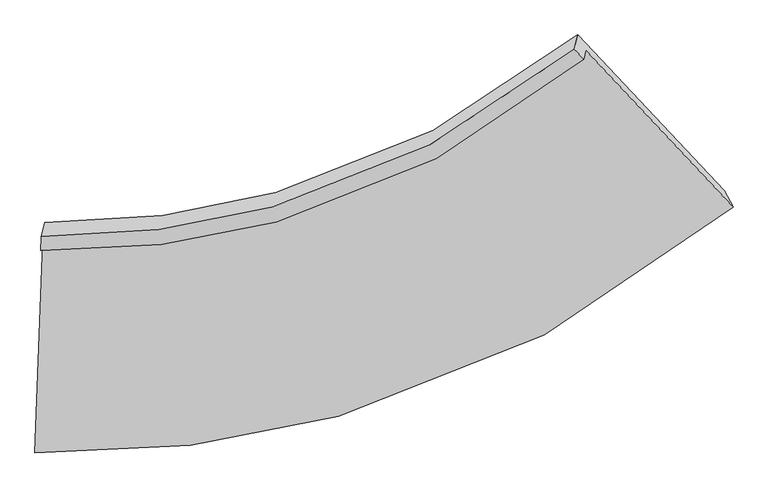
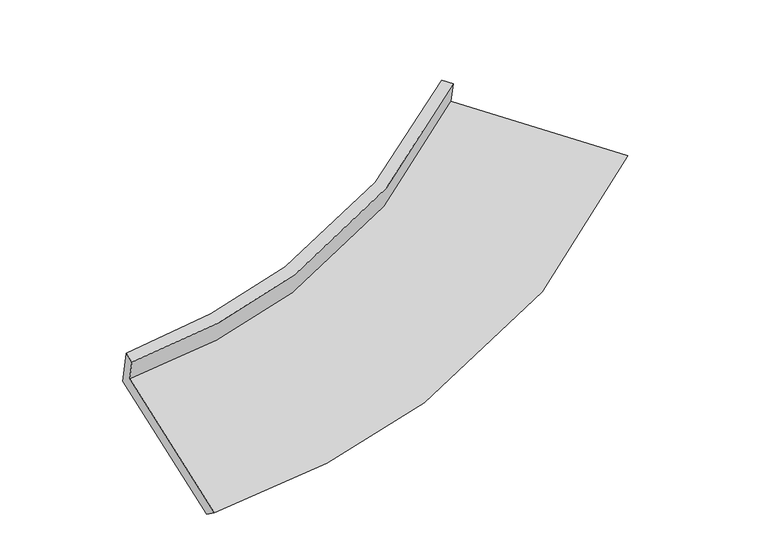
"""IFC4 building model written with IfcOpenShell, lengths in millimetres: proxy geometry."""

from ifc_helpers import new_model, si_unit, frame, origin, place, context, project, spatial, source, transform, mapped, element, save
from ifc_brep_helpers import plane_surface, spline_curve, spline_surface, advanced_brep


def generic_models_f8a3e268(model_context):
    return source(origin(), model_context, "Body", "AdvancedBrep", [
        advanced_brep(
        [(-1675.9932508, -1746.2754935, 1810.2474541), (-1723.0581357, -3005.1459312, 1450.5863899), (2448.4885595, -1534.8542861, 2134.066809), (1568.6167282, -597.5585181, 2338.4813127), (-1688.1762202, -1796.0712721, 1986.134782), (1555.6842231, -650.4178941, 2525.1897986), (-1685.0206218, -1711.6667424, 2010.2492755), (1500.3802447, -591.5045581, 2538.0381873), (-1664.5720162, -1628.0866066, 1715.0297371), (1521.3733592, -505.6988364, 2234.9574932), (-1711.3636422, -2879.6480372, 1357.4568666), (2396.5968705, -1438.0429165, 2031.6229013)],
        [
            (0, 1),
            (1, 2, spline_curve(3, [(-1723.0581357, -3005.1459312, 1450.5863899), (-1088.63443532, -3017.282335568, 1484.511457137), (-484.19238724, -2945.049792062, 1541.722382238), (942.295791581, -2556.180205339, 1741.61032911), (1728.36930859, -2138.315534085, 1912.226210616), (2448.4885595, -1534.8542861, 2134.066809)], [4, 2, 4], [0.0, 5.373550979361134, 13.343490706285586])),
            (2, 3),
            (3, 0, spline_curve(3, [(1568.6167282, -597.5585181, 2338.4813127), (1007.346565958, -1063.382940853, 2166.610126761), (395.473138183, -1387.578730219, 2034.579113208), (-713.66343016, -1693.237647505, 1880.23068896), (-1183.326662132, -1751.947516756, 1836.183749789), (-1675.9932508, -1746.2754935, 1810.2474541)], [4, 2, 4], [0.0, 7.969939726924451, 13.343490706285586])),
            (4, 0),
            (3, 5),
            (5, 4, spline_curve(3, [(1555.6842231, -650.4178941, 2525.1897986), (993.952392656, -1118.129305694, 2359.983784841), (381.982180431, -1442.720684806, 2229.35006217), (-726.705528656, -1746.544967594, 2068.52139069), (-1196.022130991, -1803.838048034, 2019.470107831), (-1688.1762202, -1796.0712721, 1986.134782)], [4, 2, 4], [0.0, 6.964118873069957, 11.659517969295413])),
            (6, 4),
            (5, 7),
            (7, 6, spline_curve(3, [(1500.3802447, -591.5045581, 2538.0381873), (945.713838481, -1042.36865245, 2378.091239767), (343.540873119, -1357.144078094, 2250.915143153), (-744.170326695, -1656.306325799, 2092.859302687), (-1203.797649923, -1714.918294892, 2044.1057621), (-1685.0206218, -1711.6667424, 2010.2492755)], [4, 2, 4], [0.0, 6.895233433222222, 11.544188085017687])),
            (8, 6),
            (7, 9),
            (9, 8, spline_curve(3, [(1521.3733592, -505.6988364, 2234.9574932), (966.99873282, -955.370331481, 2070.798078146), (364.878517703, -1269.930149729, 1942.860418453), (-723.144555975, -1570.36712776, 1789.307147126), (-1183.006132483, -1629.936566288, 1743.935554803), (-1664.5720162, -1628.0866066, 1715.0297371)], [4, 2, 4], [0.0, 6.826348708799171, 11.428859398523501])),
            (10, 8),
            (9, 11),
            (11, 10, spline_curve(3, [(2396.5968705, -1438.0429165, 2031.6229013), (1686.277547164, -2031.885704374, 1815.845263622), (911.712136356, -2442.465567874, 1648.778648351), (-492.648977714, -2823.045794476, 1450.624482821), (-1087.403737782, -2893.000971127, 1392.969086674), (-1711.3636422, -2879.6480372, 1357.4568666)], [4, 2, 4], [0.0, 7.830312545769055, 13.109723067140484])),
            (1, 10),
            (11, 2),
        ],
        [
            spline_surface(3, 3, [[(-1675.9932508, -1746.2754935, 1810.2474541), (-1183.32666208, -1751.947516682, 1836.18374987), (-713.663430141, -1693.237647552, 1880.230689015), (395.473138155, -1387.578730151, 2034.579113127), (1007.3465659, -1063.38294084, 2166.610126794), (1568.6167282, -597.5585181, 2338.4813127)], [(-1691.681545768, -2165.898972732, 1690.360432718), (-1151.762586472, -2173.725789639, 1718.959652301), (-637.173082499, -2110.508362349, 1767.39458673), (577.747355952, -1777.11255524, 1936.922851834), (1247.687480134, -1421.693805233, 2081.81548804), (1861.907338642, -909.990440765, 2270.343144789)], [(-1707.369840732, -2585.522451968, 1570.473411282), (-1120.198510861, -2595.504062601, 1601.735554679), (-560.682734858, -2527.779077185, 1654.558484436), (760.021573749, -2166.646380367, 1839.26659053), (1488.02839434, -1780.004669631, 1997.020849319), (2155.197949058, -1222.422363435, 2202.204976911)], [(-1723.0581357, -3005.1459312, 1450.5863899), (-1088.634435253, -3017.282335557, 1484.511457111), (-484.192387216, -2945.049791982, 1541.722382152), (942.295791546, -2556.180205457, 1741.610329236), (1728.369308574, -2138.315534024, 1912.226210565), (2448.4885595, -1534.8542861, 2134.066809)]], [4, 4], [4, 2, 4], [0.0, 4.293084423462226], [0.0, 5.373550979361134, 13.343490706285586]),
            spline_surface(3, 3, [[(-1688.1762202, -1796.0712721, 1986.134782), (-1196.022130914, -1803.838048005, 2019.470107769), (-726.705528637, -1746.544967638, 2068.521390707), (381.982180403, -1442.72068474, 2229.350062146), (993.952392592, -1118.129305727, 2359.983784784), (1555.6842231, -650.4178941, 2525.1897986)], [(-1684.115230396, -1779.472679261, 1927.505672675), (-1191.790307966, -1786.541204258, 1958.374655111), (-722.358162466, -1728.775860969, 2005.757823481), (386.479166326, -1424.340033237, 2164.426412478), (998.417117038, -1099.880517423, 2295.525898811), (1559.995058144, -632.798102092, 2462.953636657)], [(-1680.054240604, -1762.874086339, 1868.876563425), (-1187.558485028, -1769.244360428, 1897.279202528), (-718.010796312, -1711.00675422, 1942.994256241), (390.976152232, -1405.959381654, 2099.502762795), (1002.881841454, -1081.631729144, 2231.068012767), (1564.305893156, -615.178310108, 2400.717474643)], [(-1675.9932508, -1746.2754935, 1810.2474541), (-1183.32666208, -1751.947516682, 1836.18374987), (-713.663430141, -1693.237647552, 1880.230689015), (395.473138155, -1387.578730151, 2034.579113127), (1007.3465659, -1063.38294084, 2166.610126794), (1568.6167282, -597.5585181, 2338.4813127)]], [4, 4], [4, 2, 4], [0.0, 0.6574046886013978], [0.0, 4.695399096225456, 11.659517969295413]),
            spline_surface(3, 3, [[(-1685.0206218, -1711.6667424, 2010.2492755), (-1203.797649915, -1714.918294853, 2044.105762169), (-744.170326631, -1656.306325782, 2092.859302723), (343.540873024, -1357.14407812, 2250.9151431), (945.713838568, -1042.368652446, 2378.091239839), (1500.3802447, -591.5045581, 2538.0381873)], [(-1686.072487916, -1739.801585624, 2002.211111007), (-1201.205810231, -1744.558212561, 2035.893877376), (-738.348727313, -1686.385873056, 2084.746665366), (356.354642138, -1385.669613649, 2243.726782764), (961.793356574, -1067.622203565, 2372.055421486), (1518.814904165, -611.142336792, 2533.755391066)], [(-1687.124354084, -1767.936428876, 1994.172946493), (-1198.613970598, -1774.198130296, 2027.681992562), (-732.527127956, -1716.465420364, 2076.634028064), (369.16841129, -1414.195149212, 2236.538422482), (977.872874585, -1092.875754608, 2366.019603137), (1537.249563635, -630.780115408, 2529.472594834)], [(-1688.1762202, -1796.0712721, 1986.134782), (-1196.022130914, -1803.838048005, 2019.470107769), (-726.705528637, -1746.544967638, 2068.521390707), (381.982180403, -1442.72068474, 2229.350062146), (993.952392592, -1118.129305727, 2359.983784784), (1555.6842231, -650.4178941, 2525.1897986)]], [4, 4], [4, 2, 4], [0.0, 0.3109059347050244], [0.0, 4.648954651795465, 11.544188085017687]),
            spline_surface(3, 3, [[(-1664.5720162, -1628.0866066, 1715.0297371), (-1183.00613247, -1629.936566248, 1743.935554842), (-723.144555914, -1570.367127798, 1789.307147159), (364.878517613, -1269.930149672, 1942.860418403), (966.998732837, -955.37033145, 2070.798078138), (1521.3733592, -505.6988364, 2234.9574932)], [(-1671.388218078, -1655.946651848, 1813.436249899), (-1189.936638297, -1658.263809097, 1843.992290617), (-730.153146145, -1599.013527135, 1890.491199011), (357.765969425, -1299.001459163, 2045.545326633), (959.903768062, -984.369771783, 2173.229132034), (1514.375654348, -534.300743634, 2335.984391229)], [(-1678.204419922, -1683.806697152, 1911.842762701), (-1196.867144089, -1686.591052003, 1944.049026394), (-737.1617364, -1627.659926445, 1991.675250871), (350.653421212, -1328.072768629, 2148.230234871), (952.808803343, -1013.369212113, 2275.660185944), (1507.377949552, -562.902650866, 2437.011289271)], [(-1685.0206218, -1711.6667424, 2010.2492755), (-1203.797649915, -1714.918294853, 2044.105762169), (-744.170326631, -1656.306325782, 2092.859302723), (343.540873024, -1357.14407812, 2250.9151431), (945.713838568, -1042.368652446, 2378.091239839), (1500.3802447, -591.5045581, 2538.0381873)]], [4, 4], [4, 2, 4], [0.0, 1.047093780081731], [0.0, 4.602510689724331, 11.428859398523501]),
            spline_surface(3, 3, [[(-1711.3636422, -2879.6480372, 1357.4568666), (-1087.403737772, -2893.00097112, 1392.969086592), (-492.648977707, -2823.045794477, 1450.624482819), (911.712136345, -2442.465567873, 1648.778648354), (1686.277547171, -2031.885704328, 1815.845263703), (2396.5968705, -1438.0429165, 2031.6229013)], [(-1695.76643354, -2462.460893672, 1476.647823426), (-1119.271202678, -2471.979502835, 1509.957909335), (-569.480837094, -2405.486238909, 1563.518704264), (729.43426345, -2051.620428464, 1746.805905035), (1446.517942393, -1673.047246699, 1900.82953517), (2104.855700066, -1127.261556463, 2099.401098589)], [(-1680.16922486, -2045.273750128, 1595.838780274), (-1151.138667565, -2050.958034533, 1626.946732099), (-646.312696527, -1987.926683366, 1676.412925714), (547.156390509, -1660.775289081, 1844.833161722), (1206.758337615, -1314.208789079, 1985.813806671), (1813.114529634, -816.480196437, 2167.179295911)], [(-1664.5720162, -1628.0866066, 1715.0297371), (-1183.00613247, -1629.936566248, 1743.935554842), (-723.144555914, -1570.367127798, 1789.307147159), (364.878517613, -1269.930149672, 1942.860418403), (966.998732837, -955.37033145, 2070.798078138), (1521.3733592, -505.6988364, 2234.9574932)]], [4, 4], [4, 2, 4], [0.0, 4.301861442873069], [0.0, 5.279410521371429, 13.109723067140484]),
            spline_surface(3, 3, [[(-1723.0581357, -3005.1459312, 1450.5863899), (-1088.634435253, -3017.282335557, 1484.511457111), (-484.192387216, -2945.049791982, 1541.722382152), (942.295791546, -2556.180205457, 1741.610329236), (1728.369308574, -2138.315534024, 1912.226210565), (2448.4885595, -1534.8542861, 2134.066809)], [(-1719.159971202, -2963.313299863, 1419.543215474), (-1088.224202761, -2975.855214075, 1453.997333613), (-487.01125073, -2904.381792811, 1511.356415722), (932.101239796, -2518.275326259, 1710.666435623), (1714.338721441, -2102.838924112, 1880.099228282), (2431.191329834, -1502.583829553, 2099.918839771)], [(-1715.261806698, -2921.480668537, 1388.500041026), (-1087.813970264, -2934.428092603, 1423.483210091), (-489.830114193, -2863.713793648, 1480.990449249), (921.906688096, -2480.370447071, 1679.722541967), (1700.308134304, -2067.36231424, 1847.972245987), (2413.894100166, -1470.313373047, 2065.770870529)], [(-1711.3636422, -2879.6480372, 1357.4568666), (-1087.403737772, -2893.00097112, 1392.969086592), (-492.648977707, -2823.045794477, 1450.624482819), (911.712136345, -2442.465567873, 1648.778648354), (1686.277547171, -2031.885704328, 1815.845263703), (2396.5968705, -1438.0429165, 2031.6229013)]], [4, 4], [4, 2, 4], [0.0, 0.493086657305156], [0.0, 5.998838941650748, 14.896192847869376]),
            plane_surface(frame((1831.8566642, -886.3461682, 2300.3927504), z_axis=(0.733960827914861, 0.638484565031856, 0.23160087068621651), x_axis=(-0.06649878842324722, -0.27180228631064873, 0.9600528257833235))),
            plane_surface(frame((-1691.3639812, -2127.8156805, 1721.6174175), z_axis=(-0.9971395606955548, 0.05274599373838937, -0.054134615916493066), x_axis=(0.03592502796264248, 0.9609065393163297, 0.2745323570455738))),
        ],
        [
            (0, [[1, 2, 3, 4]]),
            (1, [[5, -4, 6, 7]]),
            (2, [[8, -7, 9, 10]]),
            (3, [[11, -10, 12, 13]]),
            (4, [[14, -13, 15, 16]]),
            (5, [[17, -16, 18, -2]]),
            (6, [[-12, -9, -6, -3, -18, -15]]),
            (7, [[-1, -5, -8, -11, -14, -17]]),
        ],
    ),
    ])


if __name__ == "__main__":
    model = new_model("IFC4")
    model_context = context("Model", 3, world=origin())
    ifc_project = project(units=[si_unit("LENGTHUNIT", "METRE", prefix="MILLI")], contexts=[model_context])
    site = spatial("IfcSite", under=ifc_project)
    building = spatial("IfcBuilding", under=site)
    placement = place(None, origin())
    generic_models_shape = generic_models_f8a3e268(model_context)
    element("IfcBuildingElementProxy", 1, Name="Generic Models", at=placement, inside=building, context=model_context, shape_type="MappedRepresentation", body=[
        mapped(generic_models_shape, transform((0.0, 0.0, 0.0), x_axis=(1.0, 0.0, 0.0), y_axis=(0.0, 1.0, 0.0), z_axis=(0.0, 0.0, 1.0))),
    ])
    save(model, "model.ifc")
